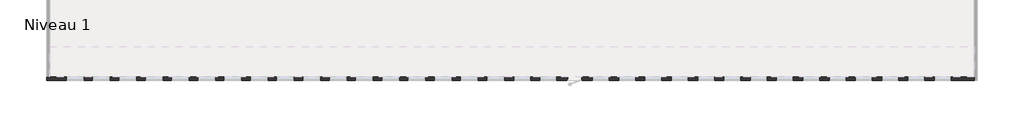
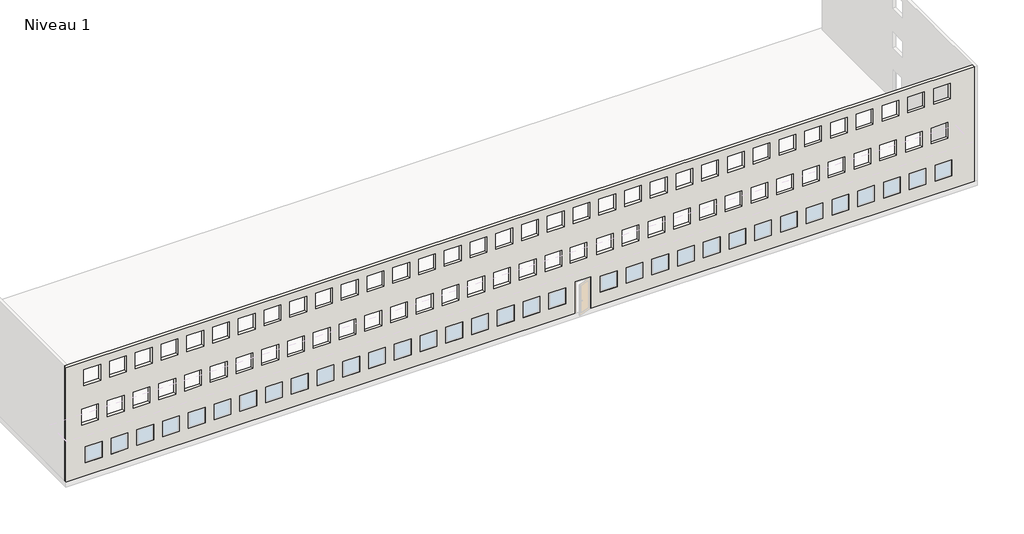
# One storey, part 2 of 5: 1 wall.
"""IFC4 building model written with IfcOpenShell, lengths in millimetres."""

from ifc_helpers import new_model, si_unit, origin, place, context, project, spatial, faceted_brep, element, save

model = new_model("IFC4")

# Units and contexts
model_context = context("Model", 3, world=origin())
ifc_project = project(units=[si_unit("LENGTHUNIT", "METRE", prefix="MILLI")], contexts=[model_context])

# Site, building, storey
site = spatial("IfcSite", under=ifc_project)
building = spatial("IfcBuilding", under=site)
storey = spatial("IfcBuildingStorey", under=building, Name="Niveau 1", Elevation=0.0)

# Wall
placement = place(None, origin())
element("IfcWall", 1, at=placement, inside=storey, context=model_context, shape_type="Brep", body=[
    faceted_brep([(34533.924577, -9346.8875583, 8000.0), (34533.924577, -9346.8875583, 0.0), (9143.924577, -9346.8875583, 0.0), (9143.924577, -9346.8875583, 2160.0), (8223.924577, -9346.8875583, 2160.0), (8223.924577, -9346.8875583, 0.0), (-25266.075423, -9346.8875583, 0.0), (-25466.075423, -9346.8875583, 0.0), (-25466.075423, -9346.8875583, 8000.0), (-25266.075423, -9346.8875583, 8000.0), (-23066.075423, -9346.8875583, 915.0), (-23066.075423, -9346.8875583, 2015.0), (-24166.075423, -9346.8875583, 2015.0), (-24166.075423, -9346.8875583, 915.0), (-21366.075423, -9346.8875583, 915.0), (-21366.075423, -9346.8875583, 2015.0), (-22466.075423, -9346.8875583, 2015.0), (-22466.075423, -9346.8875583, 915.0), (-19666.075423, -9346.8875583, 915.0), (-19666.075423, -9346.8875583, 2015.0), (-20766.075423, -9346.8875583, 2015.0), (-20766.075423, -9346.8875583, 915.0), (-17966.075423, -9346.8875583, 915.0), (-17966.075423, -9346.8875583, 2015.0), (-19066.075423, -9346.8875583, 2015.0), (-19066.075423, -9346.8875583, 915.0), (-16266.075423, -9346.8875583, 915.0), (-16266.075423, -9346.8875583, 2015.0), (-17366.075423, -9346.8875583, 2015.0), (-17366.075423, -9346.8875583, 915.0), (-14566.075423, -9346.8875583, 915.0), (-14566.075423, -9346.8875583, 2015.0), (-15666.075423, -9346.8875583, 2015.0), (-15666.075423, -9346.8875583, 915.0), (-12866.075423, -9346.8875583, 915.0), (-12866.075423, -9346.8875583, 2015.0), (-13966.075423, -9346.8875583, 2015.0), (-13966.075423, -9346.8875583, 915.0), (-11166.075423, -9346.8875583, 915.0), (-11166.075423, -9346.8875583, 2015.0), (-12266.075423, -9346.8875583, 2015.0), (-12266.075423, -9346.8875583, 915.0), (-9466.075423, -9346.8875583, 915.0), (-9466.075423, -9346.8875583, 2015.0), (-10566.075423, -9346.8875583, 2015.0), (-10566.075423, -9346.8875583, 915.0), (-7766.075423, -9346.8875583, 915.0), (-7766.075423, -9346.8875583, 2015.0), (-8866.075423, -9346.8875583, 2015.0), (-8866.075423, -9346.8875583, 915.0), (-6066.075423, -9346.8875583, 915.0), (-6066.075423, -9346.8875583, 2015.0), (-7166.075423, -9346.8875583, 2015.0), (-7166.075423, -9346.8875583, 915.0), (-4366.075423, -9346.8875583, 915.0), (-4366.075423, -9346.8875583, 2015.0), (-5466.075423, -9346.8875583, 2015.0), (-5466.075423, -9346.8875583, 915.0), (-2666.075423, -9346.8875583, 915.0), (-2666.075423, -9346.8875583, 2015.0), (-3766.075423, -9346.8875583, 2015.0), (-3766.075423, -9346.8875583, 915.0), (-966.075423, -9346.8875583, 915.0), (-966.075423, -9346.8875583, 2015.0), (-2066.075423, -9346.8875583, 2015.0), (-2066.075423, -9346.8875583, 915.0), (733.924577, -9346.8875583, 915.0), (733.924577, -9346.8875583, 2015.0), (-366.075423, -9346.8875583, 2015.0), (-366.075423, -9346.8875583, 915.0), (2433.924577, -9346.8875583, 915.0), (2433.924577, -9346.8875583, 2015.0), (1333.924577, -9346.8875583, 2015.0), (1333.924577, -9346.8875583, 915.0), (4133.924577, -9346.8875583, 915.0), (4133.924577, -9346.8875583, 2015.0), (3033.924577, -9346.8875583, 2015.0), (3033.924577, -9346.8875583, 915.0), (5833.924577, -9346.8875583, 915.0), (5833.924577, -9346.8875583, 2015.0), (4733.924577, -9346.8875583, 2015.0), (4733.924577, -9346.8875583, 915.0), (7533.924577, -9346.8875583, 915.0), (7533.924577, -9346.8875583, 2015.0), (6433.924577, -9346.8875583, 2015.0), (6433.924577, -9346.8875583, 915.0), (10933.924577, -9346.8875583, 915.0), (10933.924577, -9346.8875583, 2015.0), (9833.924577, -9346.8875583, 2015.0), (9833.924577, -9346.8875583, 915.0), (12633.924577, -9346.8875583, 915.0), (12633.924577, -9346.8875583, 2015.0), (11533.924577, -9346.8875583, 2015.0), (11533.924577, -9346.8875583, 915.0), (14333.924577, -9346.8875583, 915.0), (14333.924577, -9346.8875583, 2015.0), (13233.924577, -9346.8875583, 2015.0), (13233.924577, -9346.8875583, 915.0), (16033.924577, -9346.8875583, 915.0), (16033.924577, -9346.8875583, 2015.0), (14933.924577, -9346.8875583, 2015.0), (14933.924577, -9346.8875583, 915.0), (17733.924577, -9346.8875583, 915.0), (17733.924577, -9346.8875583, 2015.0), (16633.924577, -9346.8875583, 2015.0), (16633.924577, -9346.8875583, 915.0), (19433.924577, -9346.8875583, 915.0), (19433.924577, -9346.8875583, 2015.0), (18333.924577, -9346.8875583, 2015.0), (18333.924577, -9346.8875583, 915.0), (21133.924577, -9346.8875583, 915.0), (21133.924577, -9346.8875583, 2015.0), (20033.924577, -9346.8875583, 2015.0), (20033.924577, -9346.8875583, 915.0), (22833.924577, -9346.8875583, 915.0), (22833.924577, -9346.8875583, 2015.0), (21733.924577, -9346.8875583, 2015.0), (21733.924577, -9346.8875583, 915.0), (24533.924577, -9346.8875583, 915.0), (24533.924577, -9346.8875583, 2015.0), (23433.924577, -9346.8875583, 2015.0), (23433.924577, -9346.8875583, 915.0), (26233.924577, -9346.8875583, 915.0), (26233.924577, -9346.8875583, 2015.0), (25133.924577, -9346.8875583, 2015.0), (25133.924577, -9346.8875583, 915.0), (27933.924577, -9346.8875583, 915.0), (27933.924577, -9346.8875583, 2015.0), (26833.924577, -9346.8875583, 2015.0), (26833.924577, -9346.8875583, 915.0), (29633.924577, -9346.8875583, 915.0), (29633.924577, -9346.8875583, 2015.0), (28533.924577, -9346.8875583, 2015.0), (28533.924577, -9346.8875583, 915.0), (31333.924577, -9346.8875583, 915.0), (31333.924577, -9346.8875583, 2015.0), (30233.924577, -9346.8875583, 2015.0), (30233.924577, -9346.8875583, 915.0), (33033.924577, -9346.8875583, 915.0), (33033.924577, -9346.8875583, 2015.0), (31933.924577, -9346.8875583, 2015.0), (31933.924577, -9346.8875583, 915.0), (32783.924577, -9346.8875583, 3615.0), (32783.924577, -9346.8875583, 4715.0), (31683.924577, -9346.8875583, 4715.0), (31683.924577, -9346.8875583, 3615.0), (31083.924577, -9346.8875583, 3615.0), (31083.924577, -9346.8875583, 4715.0), (29983.924577, -9346.8875583, 4715.0), (29983.924577, -9346.8875583, 3615.0), (29383.924577, -9346.8875583, 3615.0), (29383.924577, -9346.8875583, 4715.0), (28283.924577, -9346.8875583, 4715.0), (28283.924577, -9346.8875583, 3615.0), (27683.924577, -9346.8875583, 3615.0), (27683.924577, -9346.8875583, 4715.0), (26583.924577, -9346.8875583, 4715.0), (26583.924577, -9346.8875583, 3615.0), (25983.924577, -9346.8875583, 3615.0), (25983.924577, -9346.8875583, 4715.0), (24883.924577, -9346.8875583, 4715.0), (24883.924577, -9346.8875583, 3615.0), (24283.924577, -9346.8875583, 3615.0), (24283.924577, -9346.8875583, 4715.0), (23183.924577, -9346.8875583, 4715.0), (23183.924577, -9346.8875583, 3615.0), (22583.924577, -9346.8875583, 3615.0), (22583.924577, -9346.8875583, 4715.0), (21483.924577, -9346.8875583, 4715.0), (21483.924577, -9346.8875583, 3615.0), (20883.924577, -9346.8875583, 3615.0), (20883.924577, -9346.8875583, 4715.0), (19783.924577, -9346.8875583, 4715.0), (19783.924577, -9346.8875583, 3615.0), (19183.924577, -9346.8875583, 3615.0), (19183.924577, -9346.8875583, 4715.0), (18083.924577, -9346.8875583, 4715.0), (18083.924577, -9346.8875583, 3615.0), (17483.924577, -9346.8875583, 3615.0), (17483.924577, -9346.8875583, 4715.0), (16383.924577, -9346.8875583, 4715.0), (16383.924577, -9346.8875583, 3615.0), (15783.924577, -9346.8875583, 3615.0), (15783.924577, -9346.8875583, 4715.0), (14683.924577, -9346.8875583, 4715.0), (14683.924577, -9346.8875583, 3615.0), (14083.924577, -9346.8875583, 3615.0), (14083.924577, -9346.8875583, 4715.0), (12983.924577, -9346.8875583, 4715.0), (12983.924577, -9346.8875583, 3615.0), (12383.924577, -9346.8875583, 3615.0), (12383.924577, -9346.8875583, 4715.0), (11283.924577, -9346.8875583, 4715.0), (11283.924577, -9346.8875583, 3615.0), (10683.924577, -9346.8875583, 3615.0), (10683.924577, -9346.8875583, 4715.0), (9583.924577, -9346.8875583, 4715.0), (9583.924577, -9346.8875583, 3615.0), (7283.924577, -9346.8875583, 3615.0), (7283.924577, -9346.8875583, 4715.0), (6183.924577, -9346.8875583, 4715.0), (6183.924577, -9346.8875583, 3615.0), (5583.924577, -9346.8875583, 3615.0), (5583.924577, -9346.8875583, 4715.0), (4483.924577, -9346.8875583, 4715.0), (4483.924577, -9346.8875583, 3615.0), (3883.924577, -9346.8875583, 3615.0), (3883.924577, -9346.8875583, 4715.0), (2783.924577, -9346.8875583, 4715.0), (2783.924577, -9346.8875583, 3615.0), (2183.924577, -9346.8875583, 3615.0), (2183.924577, -9346.8875583, 4715.0), (1083.924577, -9346.8875583, 4715.0), (1083.924577, -9346.8875583, 3615.0), (483.924577, -9346.8875583, 3615.0), (483.924577, -9346.8875583, 4715.0), (-616.075423, -9346.8875583, 4715.0), (-616.075423, -9346.8875583, 3615.0), (-1216.075423, -9346.8875583, 3615.0), (-1216.075423, -9346.8875583, 4715.0), (-2316.075423, -9346.8875583, 4715.0), (-2316.075423, -9346.8875583, 3615.0), (-2916.075423, -9346.8875583, 3615.0), (-2916.075423, -9346.8875583, 4715.0), (-4016.075423, -9346.8875583, 4715.0), (-4016.075423, -9346.8875583, 3615.0), (-4616.075423, -9346.8875583, 3615.0), (-4616.075423, -9346.8875583, 4715.0), (-5716.075423, -9346.8875583, 4715.0), (-5716.075423, -9346.8875583, 3615.0), (-6316.075423, -9346.8875583, 3615.0), (-6316.075423, -9346.8875583, 4715.0), (-7416.075423, -9346.8875583, 4715.0), (-7416.075423, -9346.8875583, 3615.0), (-8016.075423, -9346.8875583, 3615.0), (-8016.075423, -9346.8875583, 4715.0), (-9116.075423, -9346.8875583, 4715.0), (-9116.075423, -9346.8875583, 3615.0), (-9716.075423, -9346.8875583, 3615.0), (-9716.075423, -9346.8875583, 4715.0), (-10816.075423, -9346.8875583, 4715.0), (-10816.075423, -9346.8875583, 3615.0), (-11416.075423, -9346.8875583, 3615.0), (-11416.075423, -9346.8875583, 4715.0), (-12516.075423, -9346.8875583, 4715.0), (-12516.075423, -9346.8875583, 3615.0), (-13116.075423, -9346.8875583, 3615.0), (-13116.075423, -9346.8875583, 4715.0), (-14216.075423, -9346.8875583, 4715.0), (-14216.075423, -9346.8875583, 3615.0), (-14816.075423, -9346.8875583, 3615.0), (-14816.075423, -9346.8875583, 4715.0), (-15916.075423, -9346.8875583, 4715.0), (-15916.075423, -9346.8875583, 3615.0), (-16516.075423, -9346.8875583, 3615.0), (-16516.075423, -9346.8875583, 4715.0), (-17616.075423, -9346.8875583, 4715.0), (-17616.075423, -9346.8875583, 3615.0), (-18216.075423, -9346.8875583, 3615.0), (-18216.075423, -9346.8875583, 4715.0), (-19316.075423, -9346.8875583, 4715.0), (-19316.075423, -9346.8875583, 3615.0), (-19916.075423, -9346.8875583, 3615.0), (-19916.075423, -9346.8875583, 4715.0), (-21016.075423, -9346.8875583, 4715.0), (-21016.075423, -9346.8875583, 3615.0), (-21616.075423, -9346.8875583, 3615.0), (-21616.075423, -9346.8875583, 4715.0), (-22716.075423, -9346.8875583, 4715.0), (-22716.075423, -9346.8875583, 3615.0), (-23316.075423, -9346.8875583, 3615.0), (-23316.075423, -9346.8875583, 4715.0), (-24416.075423, -9346.8875583, 4715.0), (-24416.075423, -9346.8875583, 3615.0), (32933.924577, -9346.8875583, 6315.0), (32933.924577, -9346.8875583, 7415.0), (31833.924577, -9346.8875583, 7415.0), (31833.924577, -9346.8875583, 6315.0), (31233.924577, -9346.8875583, 6315.0), (31233.924577, -9346.8875583, 7415.0), (30133.924577, -9346.8875583, 7415.0), (30133.924577, -9346.8875583, 6315.0), (29533.924577, -9346.8875583, 6315.0), (29533.924577, -9346.8875583, 7415.0), (28433.924577, -9346.8875583, 7415.0), (28433.924577, -9346.8875583, 6315.0), (27833.924577, -9346.8875583, 6315.0), (27833.924577, -9346.8875583, 7415.0), (26733.924577, -9346.8875583, 7415.0), (26733.924577, -9346.8875583, 6315.0), (26133.924577, -9346.8875583, 6315.0), (26133.924577, -9346.8875583, 7415.0), (25033.924577, -9346.8875583, 7415.0), (25033.924577, -9346.8875583, 6315.0), (24433.924577, -9346.8875583, 6315.0), (24433.924577, -9346.8875583, 7415.0), (23333.924577, -9346.8875583, 7415.0), (23333.924577, -9346.8875583, 6315.0), (22733.924577, -9346.8875583, 6315.0), (22733.924577, -9346.8875583, 7415.0), (21633.924577, -9346.8875583, 7415.0), (21633.924577, -9346.8875583, 6315.0), (21033.924577, -9346.8875583, 6315.0), (21033.924577, -9346.8875583, 7415.0), (19933.924577, -9346.8875583, 7415.0), (19933.924577, -9346.8875583, 6315.0), (19333.924577, -9346.8875583, 6315.0), (19333.924577, -9346.8875583, 7415.0), (18233.924577, -9346.8875583, 7415.0), (18233.924577, -9346.8875583, 6315.0), (17633.924577, -9346.8875583, 6315.0), (17633.924577, -9346.8875583, 7415.0), (16533.924577, -9346.8875583, 7415.0), (16533.924577, -9346.8875583, 6315.0), (15933.924577, -9346.8875583, 6315.0), (15933.924577, -9346.8875583, 7415.0), (14833.924577, -9346.8875583, 7415.0), (14833.924577, -9346.8875583, 6315.0), (14233.924577, -9346.8875583, 6315.0), (14233.924577, -9346.8875583, 7415.0), (13133.924577, -9346.8875583, 7415.0), (13133.924577, -9346.8875583, 6315.0), (12533.924577, -9346.8875583, 6315.0), (12533.924577, -9346.8875583, 7415.0), (11433.924577, -9346.8875583, 7415.0), (11433.924577, -9346.8875583, 6315.0), (10833.924577, -9346.8875583, 6315.0), (10833.924577, -9346.8875583, 7415.0), (9733.924577, -9346.8875583, 7415.0), (9733.924577, -9346.8875583, 6315.0), (7433.924577, -9346.8875583, 6315.0), (7433.924577, -9346.8875583, 7415.0), (6333.924577, -9346.8875583, 7415.0), (6333.924577, -9346.8875583, 6315.0), (5733.924577, -9346.8875583, 6315.0), (5733.924577, -9346.8875583, 7415.0), (4633.924577, -9346.8875583, 7415.0), (4633.924577, -9346.8875583, 6315.0), (4033.924577, -9346.8875583, 6315.0), (4033.924577, -9346.8875583, 7415.0), (2933.924577, -9346.8875583, 7415.0), (2933.924577, -9346.8875583, 6315.0), (2333.924577, -9346.8875583, 6315.0), (2333.924577, -9346.8875583, 7415.0), (1233.924577, -9346.8875583, 7415.0), (1233.924577, -9346.8875583, 6315.0), (633.924577, -9346.8875583, 6315.0), (633.924577, -9346.8875583, 7415.0), (-466.075423, -9346.8875583, 7415.0), (-466.075423, -9346.8875583, 6315.0), (-1066.075423, -9346.8875583, 6315.0), (-1066.075423, -9346.8875583, 7415.0), (-2166.075423, -9346.8875583, 7415.0), (-2166.075423, -9346.8875583, 6315.0), (-2766.075423, -9346.8875583, 6315.0), (-2766.075423, -9346.8875583, 7415.0), (-3866.075423, -9346.8875583, 7415.0), (-3866.075423, -9346.8875583, 6315.0), (-4466.075423, -9346.8875583, 6315.0), (-4466.075423, -9346.8875583, 7415.0), (-5566.075423, -9346.8875583, 7415.0), (-5566.075423, -9346.8875583, 6315.0), (-6166.075423, -9346.8875583, 6315.0), (-6166.075423, -9346.8875583, 7415.0), (-7266.075423, -9346.8875583, 7415.0), (-7266.075423, -9346.8875583, 6315.0), (-7866.075423, -9346.8875583, 6315.0), (-7866.075423, -9346.8875583, 7415.0), (-8966.075423, -9346.8875583, 7415.0), (-8966.075423, -9346.8875583, 6315.0), (-9566.075423, -9346.8875583, 6315.0), (-9566.075423, -9346.8875583, 7415.0), (-10666.075423, -9346.8875583, 7415.0), (-10666.075423, -9346.8875583, 6315.0), (-11266.075423, -9346.8875583, 6315.0), (-11266.075423, -9346.8875583, 7415.0), (-12366.075423, -9346.8875583, 7415.0), (-12366.075423, -9346.8875583, 6315.0), (-12966.075423, -9346.8875583, 6315.0), (-12966.075423, -9346.8875583, 7415.0), (-14066.075423, -9346.8875583, 7415.0), (-14066.075423, -9346.8875583, 6315.0), (-14666.075423, -9346.8875583, 6315.0), (-14666.075423, -9346.8875583, 7415.0), (-15766.075423, -9346.8875583, 7415.0), (-15766.075423, -9346.8875583, 6315.0), (-16366.075423, -9346.8875583, 6315.0), (-16366.075423, -9346.8875583, 7415.0), (-17466.075423, -9346.8875583, 7415.0), (-17466.075423, -9346.8875583, 6315.0), (-18066.075423, -9346.8875583, 6315.0), (-18066.075423, -9346.8875583, 7415.0), (-19166.075423, -9346.8875583, 7415.0), (-19166.075423, -9346.8875583, 6315.0), (-19766.075423, -9346.8875583, 6315.0), (-19766.075423, -9346.8875583, 7415.0), (-20866.075423, -9346.8875583, 7415.0), (-20866.075423, -9346.8875583, 6315.0), (-21466.075423, -9346.8875583, 6315.0), (-21466.075423, -9346.8875583, 7415.0), (-22566.075423, -9346.8875583, 7415.0), (-22566.075423, -9346.8875583, 6315.0), (-23166.075423, -9346.8875583, 6315.0), (-23166.075423, -9346.8875583, 7415.0), (-24266.075423, -9346.8875583, 7415.0), (-24266.075423, -9346.8875583, 6315.0), (9133.924577, -9346.8875583, 6315.0), (9133.924577, -9346.8875583, 7415.0), (8033.924577, -9346.8875583, 7415.0), (8033.924577, -9346.8875583, 6315.0), (8933.924577, -9346.8875583, 3615.0), (8933.924577, -9346.8875583, 4715.0), (7833.924577, -9346.8875583, 4715.0), (7833.924577, -9346.8875583, 3615.0), (34533.924577, -9546.8875583, 0.0), (34533.924577, -9546.8875583, 8000.0), (-25466.075423, -9546.8875583, 8000.0), (-25466.075423, -9546.8875583, 0.0), (8183.924577, -9546.8875583, 0.0), (8183.924577, -9546.8875583, 2200.0), (9183.924577, -9546.8875583, 2200.0), (9183.924577, -9546.8875583, 0.0), (-23066.075423, -9546.8875583, 2015.0), (-23066.075423, -9546.8875583, 915.0), (-24166.075423, -9546.8875583, 915.0), (-24166.075423, -9546.8875583, 2015.0), (-21366.075423, -9546.8875583, 2015.0), (-21366.075423, -9546.8875583, 915.0), (-22466.075423, -9546.8875583, 915.0), (-22466.075423, -9546.8875583, 2015.0), (-19666.075423, -9546.8875583, 2015.0), (-19666.075423, -9546.8875583, 915.0), (-20766.075423, -9546.8875583, 915.0), (-20766.075423, -9546.8875583, 2015.0), (-17966.075423, -9546.8875583, 2015.0), (-17966.075423, -9546.8875583, 915.0), (-19066.075423, -9546.8875583, 915.0), (-19066.075423, -9546.8875583, 2015.0), (-16266.075423, -9546.8875583, 2015.0), (-16266.075423, -9546.8875583, 915.0), (-17366.075423, -9546.8875583, 915.0), (-17366.075423, -9546.8875583, 2015.0), (-14566.075423, -9546.8875583, 2015.0), (-14566.075423, -9546.8875583, 915.0), (-15666.075423, -9546.8875583, 915.0), (-15666.075423, -9546.8875583, 2015.0), (-12866.075423, -9546.8875583, 2015.0), (-12866.075423, -9546.8875583, 915.0), (-13966.075423, -9546.8875583, 915.0), (-13966.075423, -9546.8875583, 2015.0), (-11166.075423, -9546.8875583, 2015.0), (-11166.075423, -9546.8875583, 915.0), (-12266.075423, -9546.8875583, 915.0), (-12266.075423, -9546.8875583, 2015.0), (-9466.075423, -9546.8875583, 2015.0), (-9466.075423, -9546.8875583, 915.0), (-10566.075423, -9546.8875583, 915.0), (-10566.075423, -9546.8875583, 2015.0), (-7766.075423, -9546.8875583, 2015.0), (-7766.075423, -9546.8875583, 915.0), (-8866.075423, -9546.8875583, 915.0), (-8866.075423, -9546.8875583, 2015.0), (-6066.075423, -9546.8875583, 2015.0), (-6066.075423, -9546.8875583, 915.0), (-7166.075423, -9546.8875583, 915.0), (-7166.075423, -9546.8875583, 2015.0), (-4366.075423, -9546.8875583, 2015.0), (-4366.075423, -9546.8875583, 915.0), (-5466.075423, -9546.8875583, 915.0), (-5466.075423, -9546.8875583, 2015.0), (-2666.075423, -9546.8875583, 2015.0), (-2666.075423, -9546.8875583, 915.0), (-3766.075423, -9546.8875583, 915.0), (-3766.075423, -9546.8875583, 2015.0), (-966.075423, -9546.8875583, 2015.0), (-966.075423, -9546.8875583, 915.0), (-2066.075423, -9546.8875583, 915.0), (-2066.075423, -9546.8875583, 2015.0), (733.924577, -9546.8875583, 2015.0), (733.924577, -9546.8875583, 915.0), (-366.075423, -9546.8875583, 915.0), (-366.075423, -9546.8875583, 2015.0), (2433.924577, -9546.8875583, 2015.0), (2433.924577, -9546.8875583, 915.0), (1333.924577, -9546.8875583, 915.0), (1333.924577, -9546.8875583, 2015.0), (4133.924577, -9546.8875583, 2015.0), (4133.924577, -9546.8875583, 915.0), (3033.924577, -9546.8875583, 915.0), (3033.924577, -9546.8875583, 2015.0), (5833.924577, -9546.8875583, 2015.0), (5833.924577, -9546.8875583, 915.0), (4733.924577, -9546.8875583, 915.0), (4733.924577, -9546.8875583, 2015.0), (7533.924577, -9546.8875583, 2015.0), (7533.924577, -9546.8875583, 915.0), (6433.924577, -9546.8875583, 915.0), (6433.924577, -9546.8875583, 2015.0), (10933.924577, -9546.8875583, 2015.0), (10933.924577, -9546.8875583, 915.0), (9833.924577, -9546.8875583, 915.0), (9833.924577, -9546.8875583, 2015.0), (12633.924577, -9546.8875583, 2015.0), (12633.924577, -9546.8875583, 915.0), (11533.924577, -9546.8875583, 915.0), (11533.924577, -9546.8875583, 2015.0), (14333.924577, -9546.8875583, 2015.0), (14333.924577, -9546.8875583, 915.0), (13233.924577, -9546.8875583, 915.0), (13233.924577, -9546.8875583, 2015.0), (16033.924577, -9546.8875583, 2015.0), (16033.924577, -9546.8875583, 915.0), (14933.924577, -9546.8875583, 915.0), (14933.924577, -9546.8875583, 2015.0), (17733.924577, -9546.8875583, 2015.0), (17733.924577, -9546.8875583, 915.0), (16633.924577, -9546.8875583, 915.0), (16633.924577, -9546.8875583, 2015.0), (19433.924577, -9546.8875583, 2015.0), (19433.924577, -9546.8875583, 915.0), (18333.924577, -9546.8875583, 915.0), (18333.924577, -9546.8875583, 2015.0), (21133.924577, -9546.8875583, 2015.0), (21133.924577, -9546.8875583, 915.0), (20033.924577, -9546.8875583, 915.0), (20033.924577, -9546.8875583, 2015.0), (22833.924577, -9546.8875583, 2015.0), (22833.924577, -9546.8875583, 915.0), (21733.924577, -9546.8875583, 915.0), (21733.924577, -9546.8875583, 2015.0), (24533.924577, -9546.8875583, 2015.0), (24533.924577, -9546.8875583, 915.0), (23433.924577, -9546.8875583, 915.0), (23433.924577, -9546.8875583, 2015.0), (26233.924577, -9546.8875583, 2015.0), (26233.924577, -9546.8875583, 915.0), (25133.924577, -9546.8875583, 915.0), (25133.924577, -9546.8875583, 2015.0), (27933.924577, -9546.8875583, 2015.0), (27933.924577, -9546.8875583, 915.0), (26833.924577, -9546.8875583, 915.0), (26833.924577, -9546.8875583, 2015.0), (29633.924577, -9546.8875583, 2015.0), (29633.924577, -9546.8875583, 915.0), (28533.924577, -9546.8875583, 915.0), (28533.924577, -9546.8875583, 2015.0), (31333.924577, -9546.8875583, 2015.0), (31333.924577, -9546.8875583, 915.0), (30233.924577, -9546.8875583, 915.0), (30233.924577, -9546.8875583, 2015.0), (33033.924577, -9546.8875583, 2015.0), (33033.924577, -9546.8875583, 915.0), (31933.924577, -9546.8875583, 915.0), (31933.924577, -9546.8875583, 2015.0), (32783.924577, -9546.8875583, 4715.0), (32783.924577, -9546.8875583, 3615.0), (31683.924577, -9546.8875583, 3615.0), (31683.924577, -9546.8875583, 4715.0), (31083.924577, -9546.8875583, 4715.0), (31083.924577, -9546.8875583, 3615.0), (29983.924577, -9546.8875583, 3615.0), (29983.924577, -9546.8875583, 4715.0), (29383.924577, -9546.8875583, 4715.0), (29383.924577, -9546.8875583, 3615.0), (28283.924577, -9546.8875583, 3615.0), (28283.924577, -9546.8875583, 4715.0), (27683.924577, -9546.8875583, 4715.0), (27683.924577, -9546.8875583, 3615.0), (26583.924577, -9546.8875583, 3615.0), (26583.924577, -9546.8875583, 4715.0), (25983.924577, -9546.8875583, 4715.0), (25983.924577, -9546.8875583, 3615.0), (24883.924577, -9546.8875583, 3615.0), (24883.924577, -9546.8875583, 4715.0), (24283.924577, -9546.8875583, 4715.0), (24283.924577, -9546.8875583, 3615.0), (23183.924577, -9546.8875583, 3615.0), (23183.924577, -9546.8875583, 4715.0), (22583.924577, -9546.8875583, 4715.0), (22583.924577, -9546.8875583, 3615.0), (21483.924577, -9546.8875583, 3615.0), (21483.924577, -9546.8875583, 4715.0), (20883.924577, -9546.8875583, 4715.0), (20883.924577, -9546.8875583, 3615.0), (19783.924577, -9546.8875583, 3615.0), (19783.924577, -9546.8875583, 4715.0), (19183.924577, -9546.8875583, 4715.0), (19183.924577, -9546.8875583, 3615.0), (18083.924577, -9546.8875583, 3615.0), (18083.924577, -9546.8875583, 4715.0), (17483.924577, -9546.8875583, 4715.0), (17483.924577, -9546.8875583, 3615.0), (16383.924577, -9546.8875583, 3615.0), (16383.924577, -9546.8875583, 4715.0), (15783.924577, -9546.8875583, 4715.0), (15783.924577, -9546.8875583, 3615.0), (14683.924577, -9546.8875583, 3615.0), (14683.924577, -9546.8875583, 4715.0), (14083.924577, -9546.8875583, 4715.0), (14083.924577, -9546.8875583, 3615.0), (12983.924577, -9546.8875583, 3615.0), (12983.924577, -9546.8875583, 4715.0), (12383.924577, -9546.8875583, 4715.0), (12383.924577, -9546.8875583, 3615.0), (11283.924577, -9546.8875583, 3615.0), (11283.924577, -9546.8875583, 4715.0), (10683.924577, -9546.8875583, 4715.0), (10683.924577, -9546.8875583, 3615.0), (9583.924577, -9546.8875583, 3615.0), (9583.924577, -9546.8875583, 4715.0), (7283.924577, -9546.8875583, 4715.0), (7283.924577, -9546.8875583, 3615.0), (6183.924577, -9546.8875583, 3615.0), (6183.924577, -9546.8875583, 4715.0), (5583.924577, -9546.8875583, 4715.0), (5583.924577, -9546.8875583, 3615.0), (4483.924577, -9546.8875583, 3615.0), (4483.924577, -9546.8875583, 4715.0), (3883.924577, -9546.8875583, 4715.0), (3883.924577, -9546.8875583, 3615.0), (2783.924577, -9546.8875583, 3615.0), (2783.924577, -9546.8875583, 4715.0), (2183.924577, -9546.8875583, 4715.0), (2183.924577, -9546.8875583, 3615.0), (1083.924577, -9546.8875583, 3615.0), (1083.924577, -9546.8875583, 4715.0), (483.924577, -9546.8875583, 4715.0), (483.924577, -9546.8875583, 3615.0), (-616.075423, -9546.8875583, 3615.0), (-616.075423, -9546.8875583, 4715.0), (-1216.075423, -9546.8875583, 4715.0), (-1216.075423, -9546.8875583, 3615.0), (-2316.075423, -9546.8875583, 3615.0), (-2316.075423, -9546.8875583, 4715.0), (-2916.075423, -9546.8875583, 4715.0), (-2916.075423, -9546.8875583, 3615.0), (-4016.075423, -9546.8875583, 3615.0), (-4016.075423, -9546.8875583, 4715.0), (-4616.075423, -9546.8875583, 4715.0), (-4616.075423, -9546.8875583, 3615.0), (-5716.075423, -9546.8875583, 3615.0), (-5716.075423, -9546.8875583, 4715.0), (-6316.075423, -9546.8875583, 4715.0), (-6316.075423, -9546.8875583, 3615.0), (-7416.075423, -9546.8875583, 3615.0), (-7416.075423, -9546.8875583, 4715.0), (-8016.075423, -9546.8875583, 4715.0), (-8016.075423, -9546.8875583, 3615.0), (-9116.075423, -9546.8875583, 3615.0), (-9116.075423, -9546.8875583, 4715.0), (-9716.075423, -9546.8875583, 4715.0), (-9716.075423, -9546.8875583, 3615.0), (-10816.075423, -9546.8875583, 3615.0), (-10816.075423, -9546.8875583, 4715.0), (-11416.075423, -9546.8875583, 4715.0), (-11416.075423, -9546.8875583, 3615.0), (-12516.075423, -9546.8875583, 3615.0), (-12516.075423, -9546.8875583, 4715.0), (-13116.075423, -9546.8875583, 4715.0), (-13116.075423, -9546.8875583, 3615.0), (-14216.075423, -9546.8875583, 3615.0), (-14216.075423, -9546.8875583, 4715.0), (-14816.075423, -9546.8875583, 4715.0), (-14816.075423, -9546.8875583, 3615.0), (-15916.075423, -9546.8875583, 3615.0), (-15916.075423, -9546.8875583, 4715.0), (-16516.075423, -9546.8875583, 4715.0), (-16516.075423, -9546.8875583, 3615.0), (-17616.075423, -9546.8875583, 3615.0), (-17616.075423, -9546.8875583, 4715.0), (-18216.075423, -9546.8875583, 4715.0), (-18216.075423, -9546.8875583, 3615.0), (-19316.075423, -9546.8875583, 3615.0), (-19316.075423, -9546.8875583, 4715.0), (-19916.075423, -9546.8875583, 4715.0), (-19916.075423, -9546.8875583, 3615.0), (-21016.075423, -9546.8875583, 3615.0), (-21016.075423, -9546.8875583, 4715.0), (-21616.075423, -9546.8875583, 4715.0), (-21616.075423, -9546.8875583, 3615.0), (-22716.075423, -9546.8875583, 3615.0), (-22716.075423, -9546.8875583, 4715.0), (-23316.075423, -9546.8875583, 4715.0), (-23316.075423, -9546.8875583, 3615.0), (-24416.075423, -9546.8875583, 3615.0), (-24416.075423, -9546.8875583, 4715.0), (32933.924577, -9546.8875583, 7415.0), (32933.924577, -9546.8875583, 6315.0), (31833.924577, -9546.8875583, 6315.0), (31833.924577, -9546.8875583, 7415.0), (31233.924577, -9546.8875583, 7415.0), (31233.924577, -9546.8875583, 6315.0), (30133.924577, -9546.8875583, 6315.0), (30133.924577, -9546.8875583, 7415.0), (29533.924577, -9546.8875583, 7415.0), (29533.924577, -9546.8875583, 6315.0), (28433.924577, -9546.8875583, 6315.0), (28433.924577, -9546.8875583, 7415.0), (27833.924577, -9546.8875583, 7415.0), (27833.924577, -9546.8875583, 6315.0), (26733.924577, -9546.8875583, 6315.0), (26733.924577, -9546.8875583, 7415.0), (26133.924577, -9546.8875583, 7415.0), (26133.924577, -9546.8875583, 6315.0), (25033.924577, -9546.8875583, 6315.0), (25033.924577, -9546.8875583, 7415.0), (24433.924577, -9546.8875583, 7415.0), (24433.924577, -9546.8875583, 6315.0), (23333.924577, -9546.8875583, 6315.0), (23333.924577, -9546.8875583, 7415.0), (22733.924577, -9546.8875583, 7415.0), (22733.924577, -9546.8875583, 6315.0), (21633.924577, -9546.8875583, 6315.0), (21633.924577, -9546.8875583, 7415.0), (21033.924577, -9546.8875583, 7415.0), (21033.924577, -9546.8875583, 6315.0), (19933.924577, -9546.8875583, 6315.0), (19933.924577, -9546.8875583, 7415.0), (19333.924577, -9546.8875583, 7415.0), (19333.924577, -9546.8875583, 6315.0), (18233.924577, -9546.8875583, 6315.0), (18233.924577, -9546.8875583, 7415.0), (17633.924577, -9546.8875583, 7415.0), (17633.924577, -9546.8875583, 6315.0), (16533.924577, -9546.8875583, 6315.0), (16533.924577, -9546.8875583, 7415.0), (15933.924577, -9546.8875583, 7415.0), (15933.924577, -9546.8875583, 6315.0), (14833.924577, -9546.8875583, 6315.0), (14833.924577, -9546.8875583, 7415.0), (14233.924577, -9546.8875583, 7415.0), (14233.924577, -9546.8875583, 6315.0), (13133.924577, -9546.8875583, 6315.0), (13133.924577, -9546.8875583, 7415.0), (12533.924577, -9546.8875583, 7415.0), (12533.924577, -9546.8875583, 6315.0), (11433.924577, -9546.8875583, 6315.0), (11433.924577, -9546.8875583, 7415.0), (10833.924577, -9546.8875583, 7415.0), (10833.924577, -9546.8875583, 6315.0), (9733.924577, -9546.8875583, 6315.0), (9733.924577, -9546.8875583, 7415.0), (7433.924577, -9546.8875583, 7415.0), (7433.924577, -9546.8875583, 6315.0), (6333.924577, -9546.8875583, 6315.0), (6333.924577, -9546.8875583, 7415.0), (5733.924577, -9546.8875583, 7415.0), (5733.924577, -9546.8875583, 6315.0), (4633.924577, -9546.8875583, 6315.0), (4633.924577, -9546.8875583, 7415.0), (4033.924577, -9546.8875583, 7415.0), (4033.924577, -9546.8875583, 6315.0), (2933.924577, -9546.8875583, 6315.0), (2933.924577, -9546.8875583, 7415.0), (2333.924577, -9546.8875583, 7415.0), (2333.924577, -9546.8875583, 6315.0), (1233.924577, -9546.8875583, 6315.0), (1233.924577, -9546.8875583, 7415.0), (633.924577, -9546.8875583, 7415.0), (633.924577, -9546.8875583, 6315.0), (-466.075423, -9546.8875583, 6315.0), (-466.075423, -9546.8875583, 7415.0), (-1066.075423, -9546.8875583, 7415.0), (-1066.075423, -9546.8875583, 6315.0), (-2166.075423, -9546.8875583, 6315.0), (-2166.075423, -9546.8875583, 7415.0), (-2766.075423, -9546.8875583, 7415.0), (-2766.075423, -9546.8875583, 6315.0), (-3866.075423, -9546.8875583, 6315.0), (-3866.075423, -9546.8875583, 7415.0), (-4466.075423, -9546.8875583, 7415.0), (-4466.075423, -9546.8875583, 6315.0), (-5566.075423, -9546.8875583, 6315.0), (-5566.075423, -9546.8875583, 7415.0), (-6166.075423, -9546.8875583, 7415.0), (-6166.075423, -9546.8875583, 6315.0), (-7266.075423, -9546.8875583, 6315.0), (-7266.075423, -9546.8875583, 7415.0), (-7866.075423, -9546.8875583, 7415.0), (-7866.075423, -9546.8875583, 6315.0), (-8966.075423, -9546.8875583, 6315.0), (-8966.075423, -9546.8875583, 7415.0), (-9566.075423, -9546.8875583, 7415.0), (-9566.075423, -9546.8875583, 6315.0), (-10666.075423, -9546.8875583, 6315.0), (-10666.075423, -9546.8875583, 7415.0), (-11266.075423, -9546.8875583, 7415.0), (-11266.075423, -9546.8875583, 6315.0), (-12366.075423, -9546.8875583, 6315.0), (-12366.075423, -9546.8875583, 7415.0), (-12966.075423, -9546.8875583, 7415.0), (-12966.075423, -9546.8875583, 6315.0), (-14066.075423, -9546.8875583, 6315.0), (-14066.075423, -9546.8875583, 7415.0), (-14666.075423, -9546.8875583, 7415.0), (-14666.075423, -9546.8875583, 6315.0), (-15766.075423, -9546.8875583, 6315.0), (-15766.075423, -9546.8875583, 7415.0), (-16366.075423, -9546.8875583, 7415.0), (-16366.075423, -9546.8875583, 6315.0), (-17466.075423, -9546.8875583, 6315.0), (-17466.075423, -9546.8875583, 7415.0), (-18066.075423, -9546.8875583, 7415.0), (-18066.075423, -9546.8875583, 6315.0), (-19166.075423, -9546.8875583, 6315.0), (-19166.075423, -9546.8875583, 7415.0), (-19766.075423, -9546.8875583, 7415.0), (-19766.075423, -9546.8875583, 6315.0), (-20866.075423, -9546.8875583, 6315.0), (-20866.075423, -9546.8875583, 7415.0), (-21466.075423, -9546.8875583, 7415.0), (-21466.075423, -9546.8875583, 6315.0), (-22566.075423, -9546.8875583, 6315.0), (-22566.075423, -9546.8875583, 7415.0), (-23166.075423, -9546.8875583, 7415.0), (-23166.075423, -9546.8875583, 6315.0), (-24266.075423, -9546.8875583, 6315.0), (-24266.075423, -9546.8875583, 7415.0), (9133.924577, -9546.8875583, 7415.0), (9133.924577, -9546.8875583, 6315.0), (8033.924577, -9546.8875583, 6315.0), (8033.924577, -9546.8875583, 7415.0), (8933.924577, -9546.8875583, 4715.0), (8933.924577, -9546.8875583, 3615.0), (7833.924577, -9546.8875583, 3615.0), (7833.924577, -9546.8875583, 4715.0), (9183.924577, -9494.8875583, 0.0), (9153.924577, -9494.8875583, 0.0), (9153.924577, -9446.8875583, 0.0), (9143.924577, -9446.8875583, 0.0), (8223.924577, -9446.8875583, 0.0), (8213.924577, -9446.8875583, 0.0), (8213.924577, -9494.8875583, 0.0), (8183.924577, -9494.8875583, 0.0), (9143.924577, -9446.8875583, 2160.0), (8223.924577, -9446.8875583, 2160.0), (8213.924577, -9494.8875583, 2170.0), (9153.924577, -9494.8875583, 2170.0), (9183.924577, -9494.8875583, 2200.0), (8183.924577, -9494.8875583, 2200.0), (8213.924577, -9446.8875583, 2170.0), (9153.924577, -9446.8875583, 2170.0)], [[[0, 1, 2, 3, 4, 5, 6, 7, 8, 9], [10, 11, 12, 13], [14, 15, 16, 17], [18, 19, 20, 21], [22, 23, 24, 25], [26, 27, 28, 29], [30, 31, 32, 33], [34, 35, 36, 37], [38, 39, 40, 41], [42, 43, 44, 45], [46, 47, 48, 49], [50, 51, 52, 53], [54, 55, 56, 57], [58, 59, 60, 61], [62, 63, 64, 65], [66, 67, 68, 69], [70, 71, 72, 73], [74, 75, 76, 77], [78, 79, 80, 81], [82, 83, 84, 85], [86, 87, 88, 89], [90, 91, 92, 93], [94, 95, 96, 97], [98, 99, 100, 101], [102, 103, 104, 105], [106, 107, 108, 109], [110, 111, 112, 113], [114, 115, 116, 117], [118, 119, 120, 121], [122, 123, 124, 125], [126, 127, 128, 129], [130, 131, 132, 133], [134, 135, 136, 137], [138, 139, 140, 141], [142, 143, 144, 145], [146, 147, 148, 149], [150, 151, 152, 153], [154, 155, 156, 157], [158, 159, 160, 161], [162, 163, 164, 165], [166, 167, 168, 169], [170, 171, 172, 173], [174, 175, 176, 177], [178, 179, 180, 181], [182, 183, 184, 185], [186, 187, 188, 189], [190, 191, 192, 193], [194, 195, 196, 197], [198, 199, 200, 201], [202, 203, 204, 205], [206, 207, 208, 209], [210, 211, 212, 213], [214, 215, 216, 217], [218, 219, 220, 221], [222, 223, 224, 225], [226, 227, 228, 229], [230, 231, 232, 233], [234, 235, 236, 237], [238, 239, 240, 241], [242, 243, 244, 245], [246, 247, 248, 249], [250, 251, 252, 253], [254, 255, 256, 257], [258, 259, 260, 261], [262, 263, 264, 265], [266, 267, 268, 269], [270, 271, 272, 273], [274, 275, 276, 277], [278, 279, 280, 281], [282, 283, 284, 285], [286, 287, 288, 289], [290, 291, 292, 293], [294, 295, 296, 297], [298, 299, 300, 301], [302, 303, 304, 305], [306, 307, 308, 309], [310, 311, 312, 313], [314, 315, 316, 317], [318, 319, 320, 321], [322, 323, 324, 325], [326, 327, 328, 329], [330, 331, 332, 333], [334, 335, 336, 337], [338, 339, 340, 341], [342, 343, 344, 345], [346, 347, 348, 349], [350, 351, 352, 353], [354, 355, 356, 357], [358, 359, 360, 361], [362, 363, 364, 365], [366, 367, 368, 369], [370, 371, 372, 373], [374, 375, 376, 377], [378, 379, 380, 381], [382, 383, 384, 385], [386, 387, 388, 389], [390, 391, 392, 393], [394, 395, 396, 397], [398, 399, 400, 401], [402, 403, 404, 405], [406, 407, 408, 409], [410, 411, 412, 413]], [[414, 415, 416, 417, 418, 419, 420, 421], [422, 423, 424, 425], [426, 427, 428, 429], [430, 431, 432, 433], [434, 435, 436, 437], [438, 439, 440, 441], [442, 443, 444, 445], [446, 447, 448, 449], [450, 451, 452, 453], [454, 455, 456, 457], [458, 459, 460, 461], [462, 463, 464, 465], [466, 467, 468, 469], [470, 471, 472, 473], [474, 475, 476, 477], [478, 479, 480, 481], [482, 483, 484, 485], [486, 487, 488, 489], [490, 491, 492, 493], [494, 495, 496, 497], [498, 499, 500, 501], [502, 503, 504, 505], [506, 507, 508, 509], [510, 511, 512, 513], [514, 515, 516, 517], [518, 519, 520, 521], [522, 523, 524, 525], [526, 527, 528, 529], [530, 531, 532, 533], [534, 535, 536, 537], [538, 539, 540, 541], [542, 543, 544, 545], [546, 547, 548, 549], [550, 551, 552, 553], [554, 555, 556, 557], [558, 559, 560, 561], [562, 563, 564, 565], [566, 567, 568, 569], [570, 571, 572, 573], [574, 575, 576, 577], [578, 579, 580, 581], [582, 583, 584, 585], [586, 587, 588, 589], [590, 591, 592, 593], [594, 595, 596, 597], [598, 599, 600, 601], [602, 603, 604, 605], [606, 607, 608, 609], [610, 611, 612, 613], [614, 615, 616, 617], [618, 619, 620, 621], [622, 623, 624, 625], [626, 627, 628, 629], [630, 631, 632, 633], [634, 635, 636, 637], [638, 639, 640, 641], [642, 643, 644, 645], [646, 647, 648, 649], [650, 651, 652, 653], [654, 655, 656, 657], [658, 659, 660, 661], [662, 663, 664, 665], [666, 667, 668, 669], [670, 671, 672, 673], [674, 675, 676, 677], [678, 679, 680, 681], [682, 683, 684, 685], [686, 687, 688, 689], [690, 691, 692, 693], [694, 695, 696, 697], [698, 699, 700, 701], [702, 703, 704, 705], [706, 707, 708, 709], [710, 711, 712, 713], [714, 715, 716, 717], [718, 719, 720, 721], [722, 723, 724, 725], [726, 727, 728, 729], [730, 731, 732, 733], [734, 735, 736, 737], [738, 739, 740, 741], [742, 743, 744, 745], [746, 747, 748, 749], [750, 751, 752, 753], [754, 755, 756, 757], [758, 759, 760, 761], [762, 763, 764, 765], [766, 767, 768, 769], [770, 771, 772, 773], [774, 775, 776, 777], [778, 779, 780, 781], [782, 783, 784, 785], [786, 787, 788, 789], [790, 791, 792, 793], [794, 795, 796, 797], [798, 799, 800, 801], [802, 803, 804, 805], [806, 807, 808, 809], [810, 811, 812, 813], [814, 815, 816, 817], [818, 819, 820, 821], [822, 823, 824, 825]], [[1, 414, 421, 826, 827, 828, 829, 2]], [[417, 7, 6, 5, 830, 831, 832, 833, 418]], [[1, 0, 415, 414]], [[8, 7, 417, 416]], [[11, 10, 423, 422]], [[12, 11, 422, 425]], [[13, 12, 425, 424]], [[10, 13, 424, 423]], [[15, 14, 427, 426]], [[16, 15, 426, 429]], [[17, 16, 429, 428]], [[14, 17, 428, 427]], [[19, 18, 431, 430]], [[20, 19, 430, 433]], [[21, 20, 433, 432]], [[18, 21, 432, 431]], [[23, 22, 435, 434]], [[24, 23, 434, 437]], [[25, 24, 437, 436]], [[22, 25, 436, 435]], [[27, 26, 439, 438]], [[28, 27, 438, 441]], [[29, 28, 441, 440]], [[26, 29, 440, 439]], [[31, 30, 443, 442]], [[32, 31, 442, 445]], [[33, 32, 445, 444]], [[30, 33, 444, 443]], [[35, 34, 447, 446]], [[36, 35, 446, 449]], [[37, 36, 449, 448]], [[34, 37, 448, 447]], [[39, 38, 451, 450]], [[40, 39, 450, 453]], [[41, 40, 453, 452]], [[38, 41, 452, 451]], [[43, 42, 455, 454]], [[44, 43, 454, 457]], [[45, 44, 457, 456]], [[42, 45, 456, 455]], [[47, 46, 459, 458]], [[48, 47, 458, 461]], [[49, 48, 461, 460]], [[46, 49, 460, 459]], [[51, 50, 463, 462]], [[52, 51, 462, 465]], [[53, 52, 465, 464]], [[50, 53, 464, 463]], [[55, 54, 467, 466]], [[56, 55, 466, 469]], [[57, 56, 469, 468]], [[54, 57, 468, 467]], [[59, 58, 471, 470]], [[60, 59, 470, 473]], [[61, 60, 473, 472]], [[58, 61, 472, 471]], [[63, 62, 475, 474]], [[64, 63, 474, 477]], [[65, 64, 477, 476]], [[62, 65, 476, 475]], [[67, 66, 479, 478]], [[68, 67, 478, 481]], [[69, 68, 481, 480]], [[66, 69, 480, 479]], [[71, 70, 483, 482]], [[72, 71, 482, 485]], [[73, 72, 485, 484]], [[70, 73, 484, 483]], [[75, 74, 487, 486]], [[76, 75, 486, 489]], [[77, 76, 489, 488]], [[74, 77, 488, 487]], [[79, 78, 491, 490]], [[80, 79, 490, 493]], [[81, 80, 493, 492]], [[78, 81, 492, 491]], [[83, 82, 495, 494]], [[84, 83, 494, 497]], [[85, 84, 497, 496]], [[82, 85, 496, 495]], [[87, 86, 499, 498]], [[88, 87, 498, 501]], [[89, 88, 501, 500]], [[86, 89, 500, 499]], [[91, 90, 503, 502]], [[92, 91, 502, 505]], [[93, 92, 505, 504]], [[90, 93, 504, 503]], [[95, 94, 507, 506]], [[96, 95, 506, 509]], [[97, 96, 509, 508]], [[94, 97, 508, 507]], [[99, 98, 511, 510]], [[100, 99, 510, 513]], [[101, 100, 513, 512]], [[98, 101, 512, 511]], [[103, 102, 515, 514]], [[104, 103, 514, 517]], [[105, 104, 517, 516]], [[102, 105, 516, 515]], [[107, 106, 519, 518]], [[108, 107, 518, 521]], [[109, 108, 521, 520]], [[106, 109, 520, 519]], [[111, 110, 523, 522]], [[112, 111, 522, 525]], [[113, 112, 525, 524]], [[110, 113, 524, 523]], [[115, 114, 527, 526]], [[116, 115, 526, 529]], [[117, 116, 529, 528]], [[114, 117, 528, 527]], [[119, 118, 531, 530]], [[120, 119, 530, 533]], [[121, 120, 533, 532]], [[118, 121, 532, 531]], [[123, 122, 535, 534]], [[124, 123, 534, 537]], [[125, 124, 537, 536]], [[122, 125, 536, 535]], [[127, 126, 539, 538]], [[128, 127, 538, 541]], [[129, 128, 541, 540]], [[126, 129, 540, 539]], [[131, 130, 543, 542]], [[132, 131, 542, 545]], [[133, 132, 545, 544]], [[130, 133, 544, 543]], [[135, 134, 547, 546]], [[136, 135, 546, 549]], [[137, 136, 549, 548]], [[134, 137, 548, 547]], [[139, 138, 551, 550]], [[140, 139, 550, 553]], [[141, 140, 553, 552]], [[138, 141, 552, 551]], [[834, 835, 4, 3]], [[829, 834, 3, 2]], [[835, 830, 5, 4]], [[832, 836, 837, 827, 826, 838, 839, 833]], [[836, 832, 831, 840]], [[835, 834, 829, 828, 841, 840, 831, 830]], [[833, 839, 419, 418]], [[837, 836, 840, 841]], [[839, 838, 420, 419]], [[827, 837, 841, 828]], [[838, 826, 421, 420]], [[143, 142, 555, 554]], [[144, 143, 554, 557]], [[145, 144, 557, 556]], [[142, 145, 556, 555]], [[147, 146, 559, 558]], [[148, 147, 558, 561]], [[149, 148, 561, 560]], [[146, 149, 560, 559]], [[151, 150, 563, 562]], [[152, 151, 562, 565]], [[153, 152, 565, 564]], [[150, 153, 564, 563]], [[155, 154, 567, 566]], [[156, 155, 566, 569]], [[157, 156, 569, 568]], [[154, 157, 568, 567]], [[159, 158, 571, 570]], [[160, 159, 570, 573]], [[161, 160, 573, 572]], [[158, 161, 572, 571]], [[163, 162, 575, 574]], [[164, 163, 574, 577]], [[165, 164, 577, 576]], [[162, 165, 576, 575]], [[167, 166, 579, 578]], [[168, 167, 578, 581]], [[169, 168, 581, 580]], [[166, 169, 580, 579]], [[171, 170, 583, 582]], [[172, 171, 582, 585]], [[173, 172, 585, 584]], [[170, 173, 584, 583]], [[175, 174, 587, 586]], [[176, 175, 586, 589]], [[177, 176, 589, 588]], [[174, 177, 588, 587]], [[179, 178, 591, 590]], [[180, 179, 590, 593]], [[181, 180, 593, 592]], [[178, 181, 592, 591]], [[183, 182, 595, 594]], [[184, 183, 594, 597]], [[185, 184, 597, 596]], [[182, 185, 596, 595]], [[187, 186, 599, 598]], [[188, 187, 598, 601]], [[189, 188, 601, 600]], [[186, 189, 600, 599]], [[191, 190, 603, 602]], [[192, 191, 602, 605]], [[193, 192, 605, 604]], [[190, 193, 604, 603]], [[195, 194, 607, 606]], [[196, 195, 606, 609]], [[197, 196, 609, 608]], [[194, 197, 608, 607]], [[199, 198, 611, 610]], [[200, 199, 610, 613]], [[201, 200, 613, 612]], [[198, 201, 612, 611]], [[203, 202, 615, 614]], [[204, 203, 614, 617]], [[205, 204, 617, 616]], [[202, 205, 616, 615]], [[207, 206, 619, 618]], [[208, 207, 618, 621]], [[209, 208, 621, 620]], [[206, 209, 620, 619]], [[211, 210, 623, 622]], [[212, 211, 622, 625]], [[213, 212, 625, 624]], [[210, 213, 624, 623]], [[215, 214, 627, 626]], [[216, 215, 626, 629]], [[217, 216, 629, 628]], [[214, 217, 628, 627]], [[219, 218, 631, 630]], [[220, 219, 630, 633]], [[221, 220, 633, 632]], [[218, 221, 632, 631]], [[223, 222, 635, 634]], [[224, 223, 634, 637]], [[225, 224, 637, 636]], [[222, 225, 636, 635]], [[227, 226, 639, 638]], [[228, 227, 638, 641]], [[229, 228, 641, 640]], [[226, 229, 640, 639]], [[231, 230, 643, 642]], [[232, 231, 642, 645]], [[233, 232, 645, 644]], [[230, 233, 644, 643]], [[235, 234, 647, 646]], [[236, 235, 646, 649]], [[237, 236, 649, 648]], [[234, 237, 648, 647]], [[239, 238, 651, 650]], [[240, 239, 650, 653]], [[241, 240, 653, 652]], [[238, 241, 652, 651]], [[243, 242, 655, 654]], [[244, 243, 654, 657]], [[245, 244, 657, 656]], [[242, 245, 656, 655]], [[247, 246, 659, 658]], [[248, 247, 658, 661]], [[249, 248, 661, 660]], [[246, 249, 660, 659]], [[251, 250, 663, 662]], [[252, 251, 662, 665]], [[253, 252, 665, 664]], [[250, 253, 664, 663]], [[255, 254, 667, 666]], [[256, 255, 666, 669]], [[257, 256, 669, 668]], [[254, 257, 668, 667]], [[259, 258, 671, 670]], [[260, 259, 670, 673]], [[261, 260, 673, 672]], [[258, 261, 672, 671]], [[263, 262, 675, 674]], [[264, 263, 674, 677]], [[265, 264, 677, 676]], [[262, 265, 676, 675]], [[267, 266, 679, 678]], [[268, 267, 678, 681]], [[269, 268, 681, 680]], [[266, 269, 680, 679]], [[271, 270, 683, 682]], [[272, 271, 682, 685]], [[273, 272, 685, 684]], [[270, 273, 684, 683]], [[274, 687, 686, 275]], [[276, 689, 688, 277]], [[687, 274, 277, 688]], [[278, 691, 690, 279]], [[692, 281, 280, 693]], [[691, 278, 281, 692]], [[282, 695, 694, 283]], [[696, 285, 284, 697]], [[695, 282, 285, 696]], [[286, 699, 698, 287]], [[700, 289, 288, 701]], [[699, 286, 289, 700]], [[290, 703, 702, 291]], [[704, 293, 292, 705]], [[703, 290, 293, 704]], [[294, 707, 706, 295]], [[708, 297, 296, 709]], [[707, 294, 297, 708]], [[298, 711, 710, 299]], [[712, 301, 300, 713]], [[711, 298, 301, 712]], [[302, 715, 714, 303]], [[716, 305, 304, 717]], [[715, 302, 305, 716]], [[306, 719, 718, 307]], [[720, 309, 308, 721]], [[719, 306, 309, 720]], [[310, 723, 722, 311]], [[724, 313, 312, 725]], [[723, 310, 313, 724]], [[314, 727, 726, 315]], [[728, 317, 316, 729]], [[727, 314, 317, 728]], [[318, 731, 730, 319]], [[732, 321, 320, 733]], [[731, 318, 321, 732]], [[322, 735, 734, 323]], [[736, 325, 324, 737]], [[735, 322, 325, 736]], [[326, 739, 738, 327]], [[740, 329, 328, 741]], [[739, 326, 329, 740]], [[330, 743, 742, 331]], [[744, 333, 332, 745]], [[743, 330, 333, 744]], [[334, 747, 746, 335]], [[748, 337, 336, 749]], [[747, 334, 337, 748]], [[338, 751, 750, 339]], [[752, 341, 340, 753]], [[751, 338, 341, 752]], [[342, 755, 754, 343]], [[756, 345, 344, 757]], [[755, 342, 345, 756]], [[346, 759, 758, 347]], [[760, 349, 348, 761]], [[759, 346, 349, 760]], [[350, 763, 762, 351]], [[764, 353, 352, 765]], [[763, 350, 353, 764]], [[354, 767, 766, 355]], [[768, 357, 356, 769]], [[767, 354, 357, 768]], [[358, 771, 770, 359]], [[772, 361, 360, 773]], [[771, 358, 361, 772]], [[362, 775, 774, 363]], [[776, 365, 364, 777]], [[775, 362, 365, 776]], [[366, 779, 778, 367]], [[780, 369, 368, 781]], [[779, 366, 369, 780]], [[370, 783, 782, 371]], [[784, 373, 372, 785]], [[783, 370, 373, 784]], [[374, 787, 786, 375]], [[788, 377, 376, 789]], [[787, 374, 377, 788]], [[378, 791, 790, 379]], [[792, 381, 380, 793]], [[791, 378, 381, 792]], [[382, 795, 794, 383]], [[796, 385, 384, 797]], [[795, 382, 385, 796]], [[386, 799, 798, 387]], [[800, 389, 388, 801]], [[799, 386, 389, 800]], [[390, 803, 802, 391]], [[804, 393, 392, 805]], [[803, 390, 393, 804]], [[394, 807, 806, 395]], [[808, 397, 396, 809]], [[807, 394, 397, 808]], [[398, 811, 810, 399]], [[812, 401, 400, 813]], [[811, 398, 401, 812]], [[402, 815, 814, 403]], [[816, 405, 404, 817]], [[815, 402, 405, 816]], [[407, 406, 819, 818]], [[408, 407, 818, 821]], [[409, 408, 821, 820]], [[406, 409, 820, 819]], [[411, 410, 823, 822]], [[412, 411, 822, 825]], [[413, 412, 825, 824]], [[410, 413, 824, 823]], [[689, 276, 275, 686]], [[693, 280, 279, 690]], [[697, 284, 283, 694]], [[701, 288, 287, 698]], [[705, 292, 291, 702]], [[709, 296, 295, 706]], [[713, 300, 299, 710]], [[717, 304, 303, 714]], [[721, 308, 307, 718]], [[725, 312, 311, 722]], [[729, 316, 315, 726]], [[733, 320, 319, 730]], [[737, 324, 323, 734]], [[741, 328, 327, 738]], [[745, 332, 331, 742]], [[749, 336, 335, 746]], [[753, 340, 339, 750]], [[757, 344, 343, 754]], [[761, 348, 347, 758]], [[765, 352, 351, 762]], [[769, 356, 355, 766]], [[773, 360, 359, 770]], [[777, 364, 363, 774]], [[781, 368, 367, 778]], [[785, 372, 371, 782]], [[789, 376, 375, 786]], [[793, 380, 379, 790]], [[797, 384, 383, 794]], [[801, 388, 387, 798]], [[805, 392, 391, 802]], [[809, 396, 395, 806]], [[813, 400, 399, 810]], [[817, 404, 403, 814]], [[0, 9, 8, 416, 415]]]),
])

save(model, "model.ifc")
